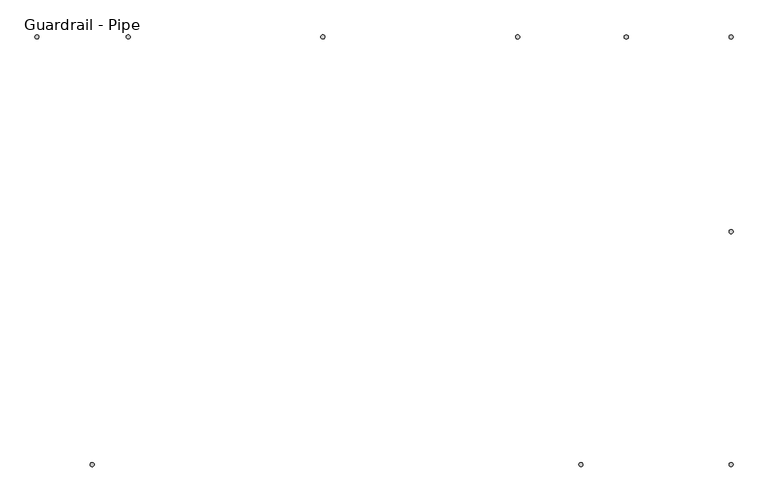
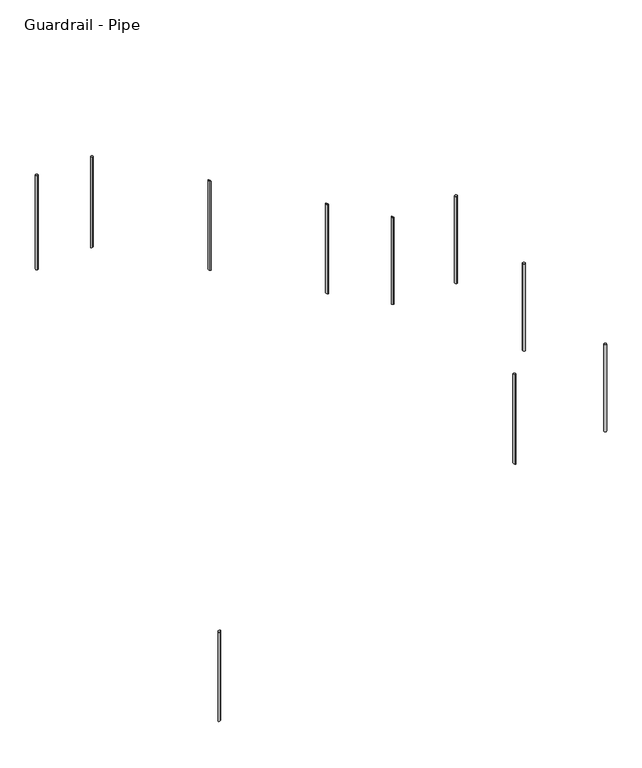
"""IFC4 building model written with IfcOpenShell, lengths in millimetres: railing geometry, Guardrail - Pipe."""

from ifc_helpers import new_model, si_unit, point, frame, frame_2d, origin, place, context, project, spatial, circle_curve, ellipse_curve, trimmed, segment, composite_curve, outline, extrude, source, transform, mapped, element, save
from ifc_brep_helpers import plane_surface, cylinder_surface, advanced_brep


def guardrail_pipe_907f8dbf(model_context):
    return source(origin(), model_context, "Body", "SolidModel", [
        extrude(outline(composite_curve([segment(trimmed(circle_curve(frame_2d((6728.7452881, -22302.0340928)), 12.7), [point((6716.0452881, -22302.0340928))], [point((6741.4452881, -22302.0340928))], False, "CARTESIAN"), True, "CONTINUOUS"), segment(trimmed(circle_curve(frame_2d((6728.7452881, -22302.0340928)), 12.7), [point((6741.4452881, -22302.0340928))], [point((6716.0452881, -22302.0340928))], False, "CARTESIAN"), True, "CONTINUOUS")], self_intersect=False)), frame((0.0, 0.0, 9604.5130435), z_axis=(0.0, 0.0, 1.0), x_axis=(1.0, 0.0, 0.0)), (0.0, 0.0, 1.0), 952.5),
        advanced_brep(
        [(5392.1904629, -21070.1340928, 10932.9978312), (5392.1904629, -21095.5340928, 10932.9978312), (5392.1904629, -21095.5340928, 9958.4777259), (5392.1904629, -21070.1340928, 9958.4777259)],
        [
            (0, 1, ellipse_curve(frame((5392.1904629, -21082.8340928, 10932.9978312), z_axis=(-0.4892060854708135, 0.0, -0.8721682211238398), x_axis=(-0.87216822112384, 0.0, 0.48920608547081335)), 14.5614111, 12.7)),
            (1, 2),
            (2, 3, ellipse_curve(frame((5392.1904629, -21082.8340928, 9958.4777259), z_axis=(0.4886065085000147, 0.0, 0.872504257784124), x_axis=(-0.872504257784124, 0.0, 0.4886065085000147)), 14.5558029, 12.7)),
            (3, 0),
            (3, 2, ellipse_curve(frame((5392.1904629, -21082.8340928, 9958.4777259), z_axis=(0.4886065085000147, 0.0, 0.872504257784124), x_axis=(-0.872504257784124, 0.0, 0.4886065085000147)), 14.5558029, 12.7)),
            (1, 0, ellipse_curve(frame((5392.1904629, -21082.8340928, 10932.9978312), z_axis=(-0.4892060854708135, 0.0, -0.8721682211238398), x_axis=(-0.87216822112384, 0.0, 0.48920608547081335)), 14.5614111, 12.7)),
        ],
        [
            cylinder_surface(frame((5392.1904629, -21082.8340928, 9729.8777259), z_axis=(0.0, 0.0, 1.0), x_axis=(0.0, -1.0, 0.0)), 12.7),
            plane_surface(frame((5417.5904629, -21108.2340928, 10918.7507694), z_axis=(0.4892060854708135, 0.0, 0.8721682211238398), x_axis=(0.0, 1.0, 0.0))),
            plane_surface(frame((5366.7904629, -21108.2340928, 9972.7018459), z_axis=(-0.4886065085000147, 0.0, -0.872504257784124), x_axis=(0.0, 1.0, 0.0))),
        ],
        [
            (0, [[1, 2, 3, 4]]),
            (0, [[5, -2, 6, -4]]),
            (1, [[-6, -1]]),
            (2, [[-5, -3]]),
        ],
    ),
        advanced_brep(
        [(4172.9904629, -21070.1340928, 11616.856799), (4172.9904629, -21095.5340928, 11616.856799), (4172.9904629, -21095.5340928, 10641.2354888), (4172.9904629, -21070.1340928, 10641.2354888)],
        [
            (0, 1, ellipse_curve(frame((4172.9904629, -21082.8340928, 11616.856799), z_axis=(-0.4892060854708135, 0.0, -0.8721682211238398), x_axis=(-0.87216822112384, 0.0, 0.48920608547081335)), 14.5614111, 12.7)),
            (1, 2),
            (2, 3, ellipse_curve(frame((4172.9904629, -21082.8340928, 10641.2354888), z_axis=(0.4886065085000147, 0.0, 0.872504257784124), x_axis=(-0.872504257784124, 0.0, 0.4886065085000147)), 14.5558029, 12.7)),
            (3, 0),
            (3, 2, ellipse_curve(frame((4172.9904629, -21082.8340928, 10641.2354888), z_axis=(0.4886065085000147, 0.0, 0.872504257784124), x_axis=(-0.872504257784124, 0.0, 0.4886065085000147)), 14.5558029, 12.7)),
            (1, 0, ellipse_curve(frame((4172.9904629, -21082.8340928, 11616.856799), z_axis=(-0.4892060854708135, 0.0, -0.8721682211238398), x_axis=(-0.87216822112384, 0.0, 0.48920608547081335)), 14.5614111, 12.7)),
        ],
        [
            cylinder_surface(frame((4172.9904629, -21082.8340928, 10412.6354888), z_axis=(0.0, 0.0, 1.0), x_axis=(0.0, -1.0, 0.0)), 12.7),
            plane_surface(frame((4198.3904629, -21108.2340928, 11602.6097372), z_axis=(0.4892060854708135, 0.0, 0.8721682211238398), x_axis=(0.0, 1.0, 0.0))),
            plane_surface(frame((4147.5904629, -21108.2340928, 10655.4596088), z_axis=(-0.4886065085000147, 0.0, -0.872504257784124), x_axis=(0.0, 1.0, 0.0))),
        ],
        [
            (0, [[1, 2, 3, 4]]),
            (0, [[5, -2, 6, -4]]),
            (1, [[-6, -1]]),
            (2, [[-5, -3]]),
        ],
    ),
        advanced_brep(
        [(5788.9452881, -23772.7087769, 10557.0130435), (5788.9452881, -23747.3087769, 10557.0130435), (5788.9452881, -23747.3087769, 9578.0633585), (5788.9452881, -23772.7087769, 9578.0633585)],
        [
            (0, 1, circle_curve(frame((5788.9452881, -23760.0087769, 10557.0130435), z_axis=(0.0, 0.0, -1.0), x_axis=(0.0, 1.0, 0.0)), 12.7)),
            (1, 2),
            (2, 3, ellipse_curve(frame((5788.9452881, -23760.0087769, 9578.0633585), z_axis=(0.4946584702428729, 0.0, 0.8690874511906044), x_axis=(-0.8690874511906046, 0.0, 0.49465847024287235)), 14.6130289, 12.7)),
            (3, 0),
            (3, 2, ellipse_curve(frame((5788.9452881, -23760.0087769, 9578.0633585), z_axis=(0.4946584702428729, 0.0, 0.8690874511906044), x_axis=(-0.8690874511906046, 0.0, 0.49465847024287235)), 14.6130289, 12.7)),
            (1, 0, circle_curve(frame((5788.9452881, -23760.0087769, 10557.0130435), z_axis=(0.0, 0.0, -1.0), x_axis=(0.0, 1.0, 0.0)), 12.7)),
        ],
        [
            cylinder_surface(frame((5788.9452881, -23760.0087769, 9349.4633585), z_axis=(0.0, 0.0, 1.0), x_axis=(0.0, 1.0, 0.0)), 12.7),
            plane_surface(frame((5763.5452881, -23734.6087769, 10557.0130435), z_axis=(0.0, 0.0, 1.0), x_axis=(0.0, -1.0, 0.0))),
            plane_surface(frame((5814.3452881, -23734.6087769, 9563.6064415), z_axis=(-0.4946584702428729, 0.0, -0.8690874511906044), x_axis=(0.0, -1.0, 0.0))),
        ],
        [
            (0, [[1, 2, 3, 4]]),
            (0, [[5, -2, 6, -4]]),
            (1, [[-6, -1]]),
            (2, [[-5, -3]]),
        ],
    ),
        extrude(outline(composite_curve([segment(trimmed(circle_curve(frame_2d((6728.7452881, -23760.0087769)), 12.7), [point((6716.0452881, -23760.0087769))], [point((6741.4452881, -23760.0087769))], False, "CARTESIAN"), True, "CONTINUOUS"), segment(trimmed(circle_curve(frame_2d((6728.7452881, -23760.0087769)), 12.7), [point((6741.4452881, -23760.0087769))], [point((6716.0452881, -23760.0087769))], False, "CARTESIAN"), True, "CONTINUOUS")], self_intersect=False)), frame((0.0, 0.0, 9604.5130435), z_axis=(0.0, 0.0, 1.0), x_axis=(1.0, 0.0, 0.0)), (0.0, 0.0, 1.0), 952.5),
        extrude(outline(composite_curve([segment(trimmed(circle_curve(frame_2d((6728.7452881, -21082.8340928)), 12.7), [point((6728.7452881, -21095.5340928))], [point((6728.7452881, -21070.1340928))], False, "CARTESIAN"), True, "CONTINUOUS"), segment(trimmed(circle_curve(frame_2d((6728.7452881, -21082.8340928)), 12.7), [point((6728.7452881, -21070.1340928))], [point((6728.7452881, -21095.5340928))], False, "CARTESIAN"), True, "CONTINUOUS")], self_intersect=False)), frame((0.0, 0.0, 9604.5130435), z_axis=(0.0, 0.0, 1.0), x_axis=(1.0, 0.0, 0.0)), (0.0, 0.0, 1.0), 952.5),
        advanced_brep(
        [(6072.4607706, -21070.1340928, 10551.4288102), (6072.4607706, -21095.5340928, 10551.4288102), (6072.4607706, -21095.5340928, 9604.5130435), (6072.4607706, -21070.1340928, 9604.5130435)],
        [
            (0, 1, ellipse_curve(frame((6072.4607706, -21082.8340928, 10551.4288102), z_axis=(-0.4892060854708135, 0.0, -0.8721682211238398), x_axis=(-0.87216822112384, 0.0, 0.48920608547081335)), 14.5614111, 12.7)),
            (1, 2),
            (2, 3, circle_curve(frame((6072.4607706, -21082.8340928, 9604.5130435), z_axis=(0.0, 0.0, 1.0), x_axis=(0.0, -1.0, 0.0)), 12.7)),
            (3, 0),
            (3, 2, circle_curve(frame((6072.4607706, -21082.8340928, 9604.5130435), z_axis=(0.0, 0.0, 1.0), x_axis=(0.0, -1.0, 0.0)), 12.7)),
            (1, 0, ellipse_curve(frame((6072.4607706, -21082.8340928, 10551.4288102), z_axis=(-0.4892060854708135, 0.0, -0.8721682211238398), x_axis=(-0.87216822112384, 0.0, 0.48920608547081335)), 14.5614111, 12.7)),
        ],
        [
            cylinder_surface(frame((6072.4607706, -21082.8340928, 9375.9130435), z_axis=(0.0, 0.0, 1.0), x_axis=(0.0, -1.0, 0.0)), 12.7),
            plane_surface(frame((6097.8607706, -21108.2340928, 10537.1817484), z_axis=(0.4892060854708135, 0.0, 0.8721682211238398), x_axis=(0.0, 1.0, 0.0))),
            plane_surface(frame((6047.0607706, -21108.2340928, 9604.5130435), z_axis=(0.0, 0.0, -1.0), x_axis=(0.0, 1.0, 0.0))),
        ],
        [
            (0, [[1, 2, 3, 4]]),
            (0, [[5, -2, 6, -4]]),
            (1, [[-6, -1]]),
            (2, [[-5, -3]]),
        ],
    ),
        advanced_brep(
        [(2953.7904629, -21070.1340928, 12306.3), (2953.7904629, -21095.5340928, 12306.3), (2953.7904629, -21095.5340928, 11323.9932517), (2953.7904629, -21070.1340928, 11323.9932517)],
        [
            (0, 1, circle_curve(frame((2953.7904629, -21082.8340928, 12306.3), z_axis=(0.0, 0.0, -1.0), x_axis=(0.0, -1.0, 0.0)), 12.7)),
            (1, 2),
            (2, 3, ellipse_curve(frame((2953.7904629, -21082.8340928, 11323.9932517), z_axis=(-0.48860650850001475, 0.0, 0.872504257784124), x_axis=(0.8725042577841241, 0.0, 0.4886065085000147)), 14.5558029, 12.7)),
            (3, 0),
            (3, 2, ellipse_curve(frame((2953.7904629, -21082.8340928, 11323.9932517), z_axis=(-0.48860650850001475, 0.0, 0.872504257784124), x_axis=(0.8725042577841241, 0.0, 0.4886065085000147)), 14.5558029, 12.7)),
            (1, 0, circle_curve(frame((2953.7904629, -21082.8340928, 12306.3), z_axis=(0.0, 0.0, -1.0), x_axis=(0.0, -1.0, 0.0)), 12.7)),
        ],
        [
            cylinder_surface(frame((2953.7904629, -21082.8340928, 11095.3932517), z_axis=(0.0, 0.0, 1.0), x_axis=(0.0, -1.0, 0.0)), 12.7),
            plane_surface(frame((2979.1904629, -21108.2340928, 12306.3), z_axis=(0.0, 0.0, 1.0), x_axis=(0.0, 1.0, 0.0))),
            plane_surface(frame((2928.3904629, -21108.2340928, 11309.7691316), z_axis=(0.48860650850001475, 0.0, -0.872504257784124), x_axis=(0.0, 1.0, 0.0))),
        ],
        [
            (0, [[1, 2, 3, 4]]),
            (0, [[5, -2, 6, -4]]),
            (1, [[-6, -1]]),
            (2, [[-5, -3]]),
        ],
    ),
        advanced_brep(
        [(2728.2452881, -23772.7087769, 8809.2154589), (2728.2452881, -23747.3087769, 8809.2154589), (2728.2452881, -23747.3087769, 7836.0048605), (2728.2452881, -23772.7087769, 7836.0048605)],
        [
            (0, 1, ellipse_curve(frame((2728.2452881, -23760.0087769, 8809.2154589), z_axis=(0.49465847024287474, 0.0, -0.8690874511906033), x_axis=(0.8690874511906034, 0.0, 0.4946584702428743)), 14.6130289, 12.7)),
            (1, 2),
            (2, 3, ellipse_curve(frame((2728.2452881, -23760.0087769, 7836.0048605), z_axis=(-0.49465847024287274, 0.0, 0.8690874511906044), x_axis=(0.8690874511906044, 0.0, 0.49465847024287246)), 14.6130289, 12.7)),
            (3, 0),
            (3, 2, ellipse_curve(frame((2728.2452881, -23760.0087769, 7836.0048605), z_axis=(-0.49465847024287274, 0.0, 0.8690874511906044), x_axis=(0.8690874511906044, 0.0, 0.49465847024287246)), 14.6130289, 12.7)),
            (1, 0, ellipse_curve(frame((2728.2452881, -23760.0087769, 8809.2154589), z_axis=(0.49465847024287474, 0.0, -0.8690874511906033), x_axis=(0.8690874511906034, 0.0, 0.4946584702428743)), 14.6130289, 12.7)),
        ],
        [
            cylinder_surface(frame((2728.2452881, -23760.0087769, 7607.4048605), z_axis=(0.0, 0.0, 1.0), x_axis=(0.0, 1.0, 0.0)), 12.7),
            plane_surface(frame((2702.8452881, -23734.6087769, 8794.7585419), z_axis=(-0.49465847024287474, 0.0, 0.8690874511906033), x_axis=(0.0, -1.0, 0.0))),
            plane_surface(frame((2753.6452881, -23734.6087769, 7850.4617775), z_axis=(0.49465847024287274, 0.0, -0.8690874511906044), x_axis=(0.0, -1.0, 0.0))),
        ],
        [
            (0, [[1, 2, 3, 4]]),
            (0, [[5, -2, 6, -4]]),
            (1, [[-6, -1]]),
            (2, [[-5, -3]]),
        ],
    ),
        extrude(outline(composite_curve([segment(trimmed(circle_curve(frame_2d((2382.2904629, -21082.8340928)), 12.7), [point((2382.2904629, -21095.5340928))], [point((2382.2904629, -21070.1340928))], False, "CARTESIAN"), True, "CONTINUOUS"), segment(trimmed(circle_curve(frame_2d((2382.2904629, -21082.8340928)), 12.7), [point((2382.2904629, -21070.1340928))], [point((2382.2904629, -21095.5340928))], False, "CARTESIAN"), True, "CONTINUOUS")], self_intersect=False)), frame((0.0, 0.0, 11277.6), z_axis=(0.0, 0.0, 1.0), x_axis=(1.0, 0.0, 0.0)), (0.0, 0.0, 1.0), 1028.7),
    ])


if __name__ == "__main__":
    model = new_model("IFC4")
    model_context = context("Model", 3, world=origin())
    ifc_project = project(units=[si_unit("LENGTHUNIT", "METRE", prefix="MILLI")], contexts=[model_context])
    site = spatial("IfcSite", under=ifc_project)
    building = spatial("IfcBuilding", under=site)
    placement = place(None, origin())
    guardrail_pipe_shape = guardrail_pipe_907f8dbf(model_context)
    element("IfcRailing", 1, ObjectType="Guardrail - Pipe", at=placement, inside=building, context=model_context, shape_type="MappedRepresentation", body=[
        mapped(guardrail_pipe_shape, transform((0.0, 0.0, 0.0), x_axis=(1.0, 0.0, 0.0), y_axis=(0.0, 1.0, 0.0), z_axis=(0.0, 0.0, 1.0))),
    ])
    save(model, "model.ifc")
